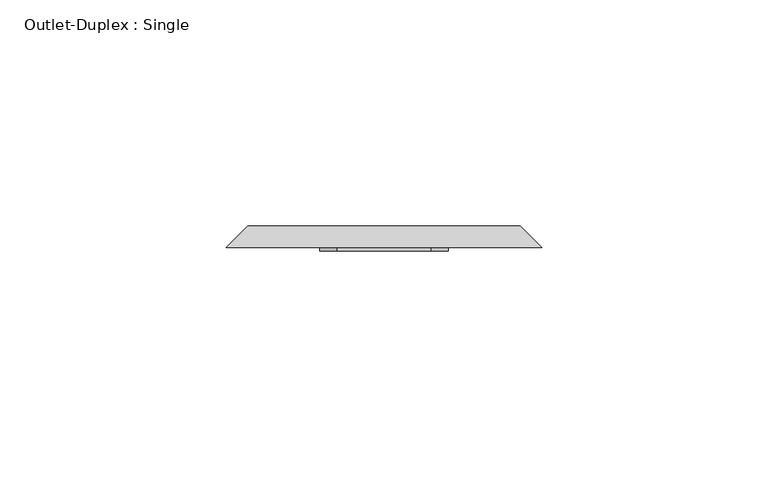
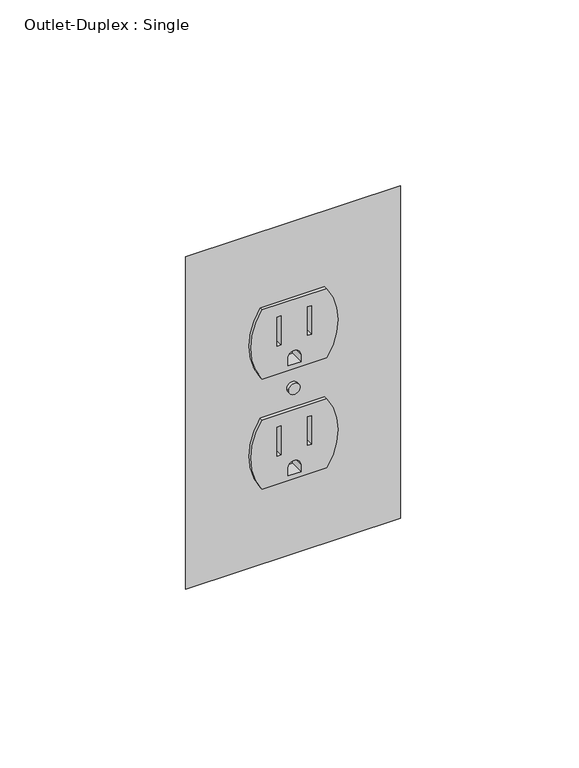
"""IFC4 building model written with IfcOpenShell, lengths in millimetres: proxy geometry, Outlet-Duplex : Single."""

from ifc_helpers import new_model, si_unit, point, frame, frame_2d, origin, place, context, project, spatial, polyline, circle_curve, trimmed, segment, composite_curve, outline, extrude, source, transform, mapped, element, save
from ifc_brep_helpers import plane_surface, revolved_surface, advanced_brep


def outlet_duplex_single_ace5fb24(model_context):
    return source(origin(), model_context, "Body", "SolidModel", [
        extrude(outline(composite_curve([segment(polyline([(273.9614857, -10.4931617), (273.9614857, 10.4931617)]), True, "CONTINUOUS"), segment(trimmed(circle_curve(frame_2d((285.8677357, -6.8576098)), 21.043005), [point((273.9614857, 10.4931617))], [point((297.7739857, 10.4931617))], False, "CARTESIAN"), True, "CONTINUOUS"), segment(polyline([(297.7739857, 10.4931617), (297.7739857, -10.4931617)]), True, "CONTINUOUS"), segment(trimmed(circle_curve(frame_2d((285.8677357, 6.8576098)), 21.043005), [point((297.7739857, -10.4931617))], [point((273.9614857, -10.4931617))], False, "CARTESIAN"), True, "CONTINUOUS")], self_intersect=False), holes=[polyline([(283.8450983, 5.6261139), (283.8450983, 4.3502847), (293.6358342, 4.3502847), (293.6358342, 5.6261139), (283.8450983, 5.6261139)]), polyline([(283.6466608, -5.6261139), (293.6358342, -5.6261139), (293.6358342, -4.3502847), (283.6466608, -4.3502847), (283.6466608, -5.6261139)]), composite_curve([segment(polyline([(275.5679027, 2.0747584), (275.5679027, -2.0747584), (278.0820784, -2.0747584)]), True, "CONTINUOUS"), segment(trimmed(circle_curve(frame_2d((278.0820784, 0.0)), 2.0747584), [point((278.0820784, -2.0747584))], [point((278.0820784, 2.0747584))], True, "CARTESIAN"), True, "CONTINUOUS"), segment(polyline([(278.0820784, 2.0747584), (275.5679027, 2.0747584)]), True, "CONTINUOUS")], self_intersect=False)]), frame((0.0, 61.1143591, 0.0), z_axis=(0.0, 1.0, 0.0), x_axis=(0.0, 0.0, 1.0)), (0.0, 0.0, 1.0), 4.7441942),
        extrude(outline(composite_curve([segment(trimmed(circle_curve(frame_2d((323.7322643, 6.8576098)), 21.043005), [point((335.6385143, -10.4931617))], [point((311.8260143, -10.4931617))], False, "CARTESIAN"), True, "CONTINUOUS"), segment(polyline([(311.8260143, -10.4931617), (311.8260143, 10.4931617)]), True, "CONTINUOUS"), segment(trimmed(circle_curve(frame_2d((323.7322643, -6.8576098)), 21.043005), [point((311.8260143, 10.4931617))], [point((335.6385143, 10.4931617))], False, "CARTESIAN"), True, "CONTINUOUS"), segment(polyline([(335.6385143, 10.4931617), (335.6385143, -10.4931617)]), True, "CONTINUOUS")], self_intersect=False), holes=[polyline([(321.709627, 5.6261139), (321.709627, 4.3502847), (331.5003629, 4.3502847), (331.5003629, 5.6261139), (321.709627, 5.6261139)]), polyline([(321.5111895, -5.6261139), (331.5003629, -5.6261139), (331.5003629, -4.3502847), (321.5111895, -4.3502847), (321.5111895, -5.6261139)]), composite_curve([segment(polyline([(313.4324314, 2.0747584), (313.4324314, -2.0747584), (315.9466071, -2.0747584)]), True, "CONTINUOUS"), segment(trimmed(circle_curve(frame_2d((315.9466071, 0.0)), 2.0747584), [point((315.9466071, -2.0747584))], [point((315.9466071, 2.0747584))], True, "CARTESIAN"), True, "CONTINUOUS"), segment(polyline([(315.9466071, 2.0747584), (313.4324314, 2.0747584)]), True, "CONTINUOUS")], self_intersect=False)]), frame((0.0, 61.1143591, 0.0), z_axis=(0.0, 1.0, 0.0), x_axis=(0.0, 0.0, 1.0)), (0.0, 0.0, 1.0), 4.7441942),
        extrude(outline(composite_curve([segment(trimmed(circle_curve(frame_2d((304.8, 0.0)), 1.8474562), [point((304.8, -1.8474562))], [point((304.8, 1.8474562))], False, "CARTESIAN"), True, "CONTINUOUS"), segment(trimmed(circle_curve(frame_2d((304.8, 0.0)), 1.8474562), [point((304.8, 1.8474562))], [point((304.8, -1.8474562))], False, "CARTESIAN"), True, "CONTINUOUS")], self_intersect=False)), frame((0.0, 61.1143591, 0.0), z_axis=(0.0, 1.0, 0.0), x_axis=(0.0, 0.0, 1.0)), (0.0, 0.0, 1.0), 4.7441942),
        advanced_brep(
        [(-30.1625, 66.675, 357.1875), (30.1625, 66.675, 357.1875), (30.1625, 66.675, 252.4125), (-30.1625, 66.675, 252.4125), (10.4931617, 66.675, 311.8260143), (10.4931617, 66.675, 335.6385143), (-10.4931617, 66.675, 335.6385143), (-10.4931617, 66.675, 311.8260143), (-10.4931617, 66.675, 297.7739857), (-10.4931617, 66.675, 273.9614857), (10.4931617, 66.675, 273.9614857), (10.4931617, 66.675, 297.7739857), (1.8474562, 66.675, 304.8), (-1.8474562, 66.675, 304.8), (-34.925, 61.9125, 361.95), (-34.925, 61.9125, 247.65), (34.925, 61.9125, 247.65), (34.925, 61.9125, 361.95), (10.4931617, 61.9125, 335.6385143), (10.4931617, 61.9125, 311.8260143), (-10.4931617, 61.9125, 311.8260143), (-10.4931617, 61.9125, 335.6385143), (-10.4931617, 61.9125, 273.9614857), (-10.4931617, 61.9125, 297.7739857), (10.4931617, 61.9125, 297.7739857), (10.4931617, 61.9125, 273.9614857), (-1.8474562, 61.9125, 304.8), (1.8474562, 61.9125, 304.8)],
        [
            (0, 1),
            (1, 2),
            (2, 3),
            (3, 0),
            (4, 5, circle_curve(frame((-6.8576098, 66.675, 323.7322643), z_axis=(0.0, -1.0, 0.0), x_axis=(1.0, 0.0, 0.0)), 21.043005)),
            (5, 6),
            (6, 7, circle_curve(frame((6.8576098, 66.675, 323.7322643), z_axis=(0.0, -1.0, 0.0), x_axis=(1.0, 0.0, 0.0)), 21.043005)),
            (7, 4),
            (8, 9, circle_curve(frame((6.8576098, 66.675, 285.8677357), z_axis=(0.0, -1.0, 0.0), x_axis=(1.0, 0.0, 0.0)), 21.043005)),
            (9, 10),
            (10, 11, circle_curve(frame((-6.8576098, 66.675, 285.8677357), z_axis=(0.0, -1.0, 0.0), x_axis=(1.0, 0.0, 0.0)), 21.043005)),
            (11, 8),
            (12, 13, circle_curve(frame((0.0, 66.675, 304.8), z_axis=(0.0, -1.0, 0.0), x_axis=(1.0, 0.0, 0.0)), 1.8474562)),
            (13, 12, circle_curve(frame((0.0, 66.675, 304.8), z_axis=(0.0, -1.0, 0.0), x_axis=(1.0, 0.0, 0.0)), 1.8474562)),
            (14, 15),
            (15, 16),
            (16, 17),
            (17, 14),
            (18, 19, circle_curve(frame((-6.8576098, 61.9125, 323.7322643), z_axis=(0.0, 1.0, 0.0), x_axis=(1.0, 0.0, 0.0)), 21.043005)),
            (19, 20),
            (20, 21, circle_curve(frame((6.8576098, 61.9125, 323.7322643), z_axis=(0.0, 1.0, 0.0), x_axis=(1.0, 0.0, 0.0)), 21.043005)),
            (21, 18),
            (22, 23, circle_curve(frame((6.8576098, 61.9125, 285.8677357), z_axis=(0.0, 1.0, 0.0), x_axis=(1.0, 0.0, 0.0)), 21.043005)),
            (23, 24),
            (24, 25, circle_curve(frame((-6.8576098, 61.9125, 285.8677357), z_axis=(0.0, 1.0, 0.0), x_axis=(1.0, 0.0, 0.0)), 21.043005)),
            (25, 22),
            (26, 27, circle_curve(frame((0.0, 61.9125, 304.8), z_axis=(0.0, 1.0, 0.0), x_axis=(1.0, 0.0, 0.0)), 1.8474562)),
            (27, 26, circle_curve(frame((0.0, 61.9125, 304.8), z_axis=(0.0, 1.0, 0.0), x_axis=(1.0, 0.0, 0.0)), 1.8474562)),
            (0, 14),
            (17, 1),
            (16, 2),
            (15, 3),
            (4, 19),
            (18, 5),
            (21, 6),
            (20, 7),
            (8, 23),
            (22, 9),
            (25, 10),
            (24, 11),
            (12, 27),
            (26, 13),
        ],
        [
            plane_surface(frame((0.0, 66.675, 304.8), z_axis=(0.0, 1.0, 0.0), x_axis=(0.0, 0.0, -1.0))),
            plane_surface(frame((0.0, 61.9125, 304.8), z_axis=(0.0, -1.0, 0.0), x_axis=(0.0, 0.0, -1.0))),
            plane_surface(frame((0.0, 61.9125, 361.95), z_axis=(0.0, 0.7071067811867159, 0.7071067811863793), x_axis=(1.0, 0.0, 0.0))),
            plane_surface(frame((34.925, 61.9125, 304.8), z_axis=(0.7071067811863626, 0.7071067811867324, 0.0), x_axis=(0.0, 0.0, -1.0))),
            plane_surface(frame((0.0, 61.9125, 247.65), z_axis=(0.0, 0.7071067811867585, -0.7071067811863365), x_axis=(-1.0, 0.0, 0.0))),
            plane_surface(frame((-34.925, 61.9125, 304.8), z_axis=(-0.7071067811862254, 0.7071067811868696, 0.0), x_axis=(0.0, 0.0, 1.0))),
            revolved_surface(polyline([(14.185395200000002, 61.9125, 323.7322643), (14.185395200000002, 66.675, 323.7322643)]), (-6.8576098, 112.696807, 323.7322643), (0.0, -1.0, 0.0)),
            plane_surface(frame((10.4931617, -238.125, 335.6385143), z_axis=(0.0, 0.0, -1.0), x_axis=(0.0, 1.0, 0.0))),
            revolved_surface(polyline([(27.9006148, 61.9125, 323.7322643), (27.9006148, 66.675, 323.7322643)]), (6.8576098, 112.696807, 323.7322643), (0.0, -1.0, 0.0)),
            plane_surface(frame((-10.4931617, -238.125, 311.8260143), z_axis=(0.0, 0.0, 1.0), x_axis=(0.0, 1.0, 0.0))),
            revolved_surface(polyline([(27.9006148, 61.9125, 285.8677357), (27.9006148, 66.675, 285.8677357)]), (6.8576098, 66.675, 285.8677357), (0.0, -1.0, 0.0)),
            plane_surface(frame((-10.4931617, -238.125, 273.9614857), z_axis=(0.0, 0.0, 1.0), x_axis=(0.0, 1.0, 0.0))),
            revolved_surface(polyline([(14.185395200000002, 61.9125, 285.8677357), (14.185395200000002, 66.675, 285.8677357)]), (-6.8576098, 66.675, 285.8677357), (0.0, -1.0, 0.0)),
            plane_surface(frame((10.4931617, -238.125, 297.7739857), z_axis=(0.0, 0.0, -1.0), x_axis=(0.0, 1.0, 0.0))),
            revolved_surface(polyline([(1.8474562, 61.9125, 304.8), (1.8474562, 66.675, 304.8)]), (0.0, 66.675, 304.8), (0.0, -1.0, 0.0)),
        ],
        [
            (0, [[1, 2, 3, 4], [5, 6, 7, 8], [9, 10, 11, 12], [13, 14]]),
            (1, [[15, 16, 17, 18], [19, 20, 21, 22], [23, 24, 25, 26], [27, 28]]),
            (2, [[-1, 29, -18, 30]]),
            (3, [[-2, -30, -17, 31]]),
            (4, [[-3, -31, -16, 32]]),
            (5, [[-4, -32, -15, -29]]),
            (6, [[33, -19, 34, -5]]),
            (7, [[-34, -22, 35, -6]]),
            (8, [[-35, -21, 36, -7]]),
            (9, [[-33, -8, -36, -20]]),
            (10, [[37, -23, 38, -9]]),
            (11, [[-38, -26, 39, -10]]),
            (12, [[-39, -25, 40, -11]]),
            (13, [[-37, -12, -40, -24]]),
            (14, [[41, -27, 42, -13]]),
            (14, [[-41, -14, -42, -28]]),
        ],
    ),
    ])


if __name__ == "__main__":
    model = new_model("IFC4")
    model_context = context("Model", 3, world=origin())
    ifc_project = project(units=[si_unit("LENGTHUNIT", "METRE", prefix="MILLI")], contexts=[model_context])
    site = spatial("IfcSite", under=ifc_project)
    building = spatial("IfcBuilding", under=site)
    placement = place(None, origin())
    outlet_duplex_single_shape = outlet_duplex_single_ace5fb24(model_context)
    element("IfcBuildingElementProxy", 1, Name="Outlet-Duplex : Single", ObjectType="Outlet-Duplex : Single", at=placement, inside=building, context=model_context, shape_type="MappedRepresentation", body=[
        mapped(outlet_duplex_single_shape, transform((0.0, 0.0, 0.0), x_axis=(1.0, 0.0, 0.0), y_axis=(0.0, 1.0, 0.0), z_axis=(0.0, 0.0, 1.0))),
    ])
    save(model, "model.ifc")
